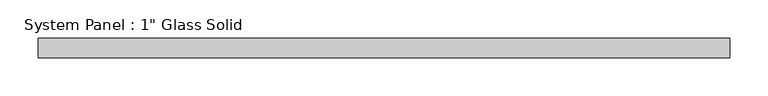
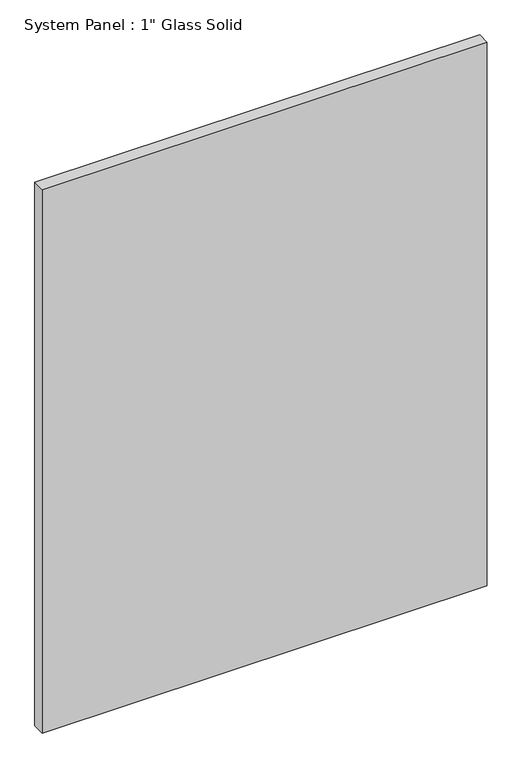
"""IFC4 building model written with IfcOpenShell, lengths in millimetres: plate geometry."""

from ifc_helpers import new_model, si_unit, origin, origin_with_axes, place, context, project, spatial, polyline, outline, extrude, source, transform, mapped, element, save


def plate_e80e8e33(model_context):
    return source(origin(), model_context, "Body", "SweptSolid", [
        extrude(outline(polyline([(453.0180865, -12.7), (-453.0180865, -12.7), (-453.0180865, 12.7), (453.0180865, 12.7), (453.0180865, -12.7)])), origin_with_axes(), (0.0, 0.0, 1.0), 1169.5594027),
    ])


if __name__ == "__main__":
    model = new_model("IFC4")
    model_context = context("Model", 3, world=origin())
    ifc_project = project(units=[si_unit("LENGTHUNIT", "METRE", prefix="MILLI")], contexts=[model_context])
    site = spatial("IfcSite", under=ifc_project)
    building = spatial("IfcBuilding", under=site)
    placement = place(None, origin())
    plate_shape = plate_e80e8e33(model_context)
    element("IfcPlate", 1, ObjectType="System Panel : 1\" Glass Solid", at=placement, inside=building, context=model_context, shape_type="MappedRepresentation", body=[
        mapped(plate_shape, transform((0.0, 0.0, 0.0), x_axis=(1.0, 0.0, 0.0), y_axis=(0.0, 1.0, 0.0), z_axis=(0.0, 0.0, 1.0))),
    ])
    save(model, "model.ifc")
